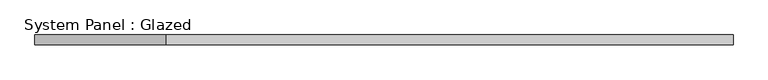
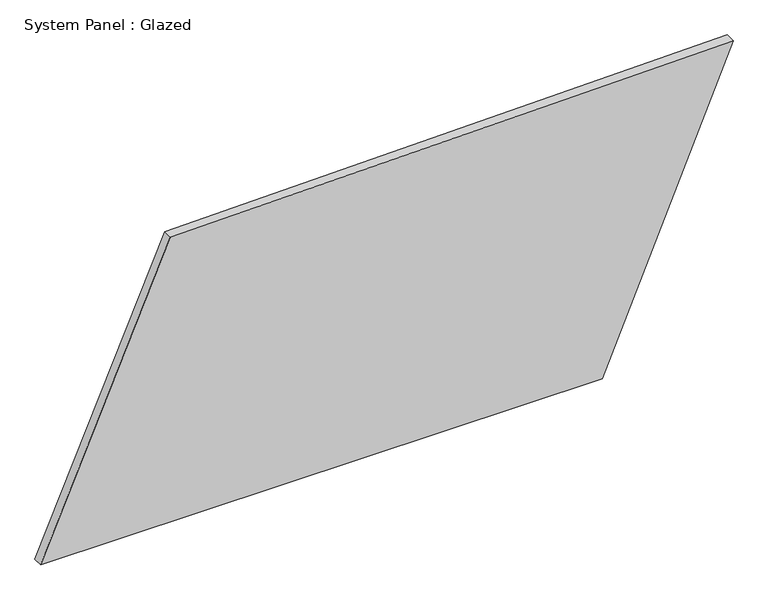
"""IFC4 building model written with IfcOpenShell, lengths in millimetres: plate geometry, System Panel : Glazed."""

from ifc_helpers import new_model, si_unit, frame, origin, place, context, project, spatial, polyline, outline, extrude, source, transform, mapped, element, save


def system_panel_glazed_6ab0dece(model_context):
    return source(origin(), model_context, "Body", "SweptSolid", [
        extrude(outline(polyline([(0.0, -884.5882057), (0.0, 550.9424315), (796.2299311, 884.5882057), (768.3128763, -553.4842526), (0.0, -884.5882057)])), frame((0.0, -49.5, 0.0), z_axis=(0.0, 1.0, 0.0), x_axis=(0.0, 0.0, 1.0)), (0.0, 0.0, 1.0), 25.0),
    ])


if __name__ == "__main__":
    model = new_model("IFC4")
    model_context = context("Model", 3, world=origin())
    ifc_project = project(units=[si_unit("LENGTHUNIT", "METRE", prefix="MILLI")], contexts=[model_context])
    site = spatial("IfcSite", under=ifc_project)
    building = spatial("IfcBuilding", under=site)
    placement = place(None, origin())
    system_panel_glazed_shape = system_panel_glazed_6ab0dece(model_context)
    element("IfcPlate", 1, ObjectType="System Panel : Glazed", at=placement, inside=building, context=model_context, shape_type="MappedRepresentation", body=[
        mapped(system_panel_glazed_shape, transform((0.0, 0.0, 0.0), x_axis=(1.0, 0.0, 0.0), y_axis=(0.0, 1.0, 0.0), z_axis=(0.0, 0.0, 1.0))),
    ])
    save(model, "model.ifc")
